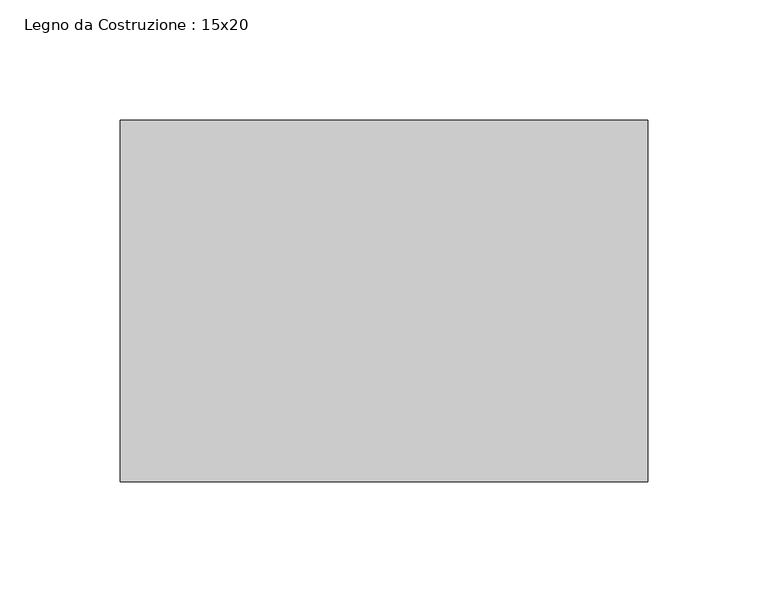
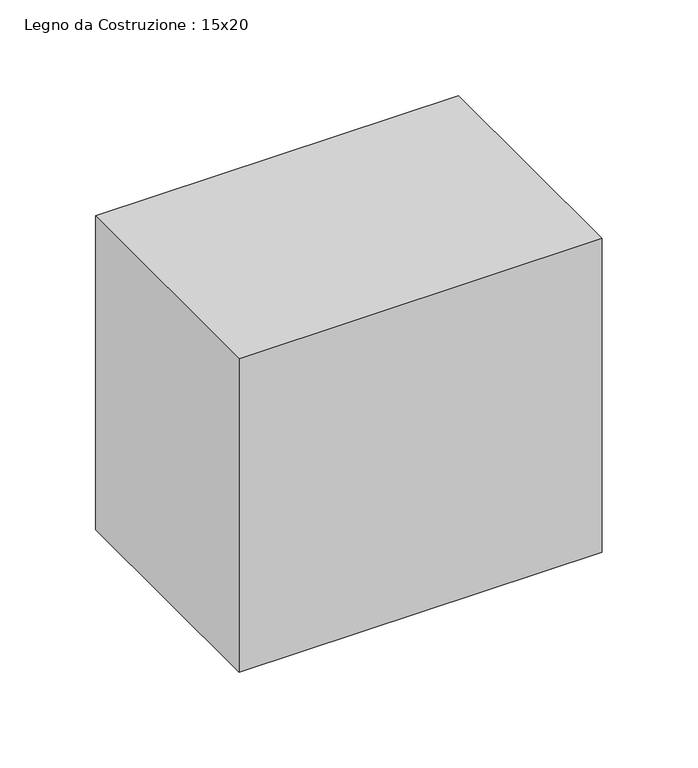
"""IFC4 building model written with IfcOpenShell, lengths in millimetres: beam geometry, Legno da Costruzione : 15x20."""

from ifc_helpers import new_model, si_unit, frame, origin, place, context, project, spatial, polyline, outline, extrude, source, transform, mapped, element, save


def legno_da_costruzione_15x20_ea27cbd1(model_context):
    return source(origin(), model_context, "Body", "SweptSolid", [
        extrude(outline(polyline([(202.0, 75.0), (202.0, -75.0), (-17.0, -75.0), (-17.0, 75.0), (202.0, 75.0)])), frame((0.0, 0.0, -100.0), z_axis=(0.0, 0.0, 1.0), x_axis=(1.0, 0.0, 0.0)), (0.0, 0.0, 1.0), 200.0),
    ])


if __name__ == "__main__":
    model = new_model("IFC4")
    model_context = context("Model", 3, world=origin())
    ifc_project = project(units=[si_unit("LENGTHUNIT", "METRE", prefix="MILLI")], contexts=[model_context])
    site = spatial("IfcSite", under=ifc_project)
    building = spatial("IfcBuilding", under=site)
    placement = place(None, origin())
    legno_da_costruzione_15x20_shape = legno_da_costruzione_15x20_ea27cbd1(model_context)
    element("IfcBeam", 1, ObjectType="Legno da Costruzione : 15x20", at=placement, inside=building, context=model_context, shape_type="MappedRepresentation", body=[
        mapped(legno_da_costruzione_15x20_shape, transform((0.0, 0.0, 0.0), x_axis=(1.0, 0.0, 0.0), y_axis=(0.0, 1.0, 0.0), z_axis=(0.0, 0.0, 1.0))),
    ])
    save(model, "model.ifc")
